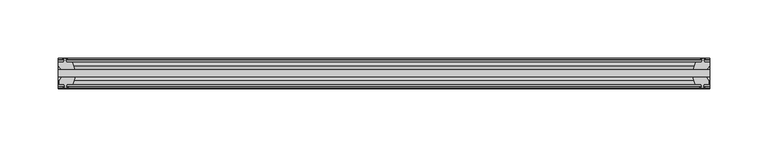
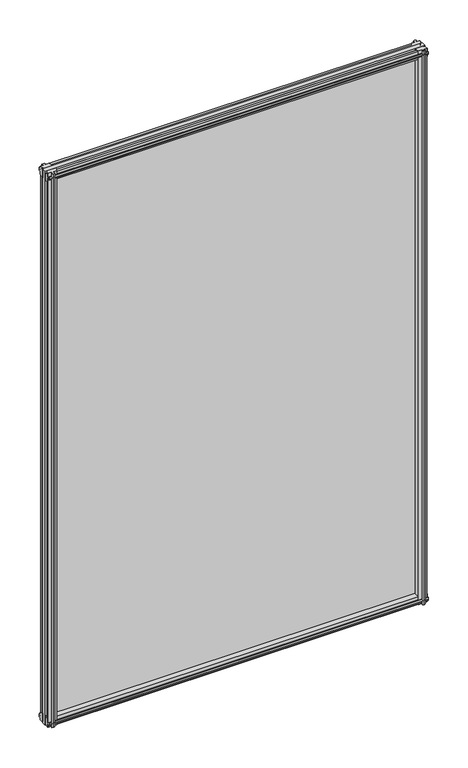
"""IFC4 building model written with IfcOpenShell, lengths in millimetres: plate geometry."""

from ifc_helpers import new_model, si_unit, frame, origin, place, context, project, spatial, polyline, outline, extrude, source, transform, mapped, element, save


def plate_f019fd8b(model_context):
    return source(origin(), model_context, "Body", "SweptSolid", [
        extrude(outline(polyline([(-258.2664062, -19.5460937), (301.625, -19.5460937), (301.625, -25.8960937), (-258.2664062, -25.8960937), (-258.2664062, -19.5460937)])), frame((0.0, 0.0, -12.7), z_axis=(0.0, 0.0, 1.0), x_axis=(1.0, 0.0, 0.0)), (0.0, 0.0, 1.0), 863.6),
        extrude(outline(polyline([(298.6503038, -25.8960937), (300.863, -29.2996938), (300.863, -32.2460938), (296.418, -32.2460938), (296.037, -34.6262907), (297.4525291, -34.1663575), (297.4525291, -34.9675717), (295.275, -35.6750938), (293.0974709, -34.9675717), (293.0974709, -34.1663575), (294.513, -34.6262907), (294.132, -32.2460938), (288.925, -32.2460938), (286.8197229, -25.8960937), (298.6503038, -25.8960937)])), frame((0.0, 0.0, -12.7), z_axis=(0.0, 0.0, 1.0), x_axis=(1.0, 0.0, 0.0)), (0.0, 0.0, 1.0), 863.6),
        extrude(outline(polyline([(293.6181709, -10.4746158), (295.7957, -9.7670938), (297.973229, -10.4746158), (297.973229, -11.27583), (296.5577, -10.8158968), (296.9387, -13.1960938), (301.3837, -13.1960938), (301.3837, -16.1424938), (299.1710038, -19.5460937), (287.3404229, -19.5460937), (289.4457, -13.1960938), (294.6527, -13.1960938), (295.0337, -10.8158968), (293.6181709, -11.27583), (293.6181709, -10.4746158)])), frame((0.0, 0.0, -12.7), z_axis=(0.0, 0.0, 1.0), x_axis=(1.0, 0.0, 0.0)), (0.0, 0.0, 1.0), 863.6),
        extrude(outline(polyline([(-243.4611292, -25.8960937), (-245.5664062, -32.2460937), (-250.7734062, -32.2460937), (-251.1544062, -34.6262907), (-249.7388772, -34.1663575), (-249.7388772, -34.9675717), (-251.9164062, -35.6750937), (-254.0939353, -34.9675717), (-254.0939353, -34.1663575), (-252.6784062, -34.6262907), (-253.0594062, -32.2460937), (-257.5044062, -32.2460937), (-257.5044062, -29.2996937), (-255.29171, -25.8960937), (-243.4611292, -25.8960937)])), frame((0.0, 0.0, -12.7), z_axis=(0.0, 0.0, 1.0), x_axis=(1.0, 0.0, 0.0)), (0.0, 0.0, 1.0), 863.6),
        extrude(outline(polyline([(-253.1991062, -10.8158968), (-254.6146353, -11.27583), (-254.6146353, -10.4746158), (-252.4371062, -9.7670937), (-250.2595772, -10.4746158), (-250.2595772, -11.27583), (-251.6751062, -10.8158968), (-251.2941062, -13.1960937), (-246.0871062, -13.1960937), (-243.9818292, -19.5460937), (-255.81241, -19.5460937), (-258.0251062, -16.1424937), (-258.0251062, -13.1960937), (-253.5801062, -13.1960937), (-253.1991062, -10.8158968)])), frame((0.0, 0.0, -12.7), z_axis=(0.0, 0.0, 1.0), x_axis=(1.0, 0.0, 0.0)), (0.0, 0.0, 1.0), 863.6),
        extrude(outline(polyline([(-13.1960937, 850.6587), (-13.1960937, 846.2137), (-10.8158968, 845.8327), (-11.27583, 847.248229), (-10.4746158, 847.248229), (-9.7670937, 845.0707), (-10.4746158, 842.8931709), (-11.27583, 842.8931709), (-10.8158968, 844.3087), (-13.1960937, 843.9277), (-13.1960937, 838.7207), (-19.5460937, 836.6154229), (-19.5460937, 848.4460038), (-16.1424937, 850.6587), (-13.1960937, 850.6587)])), frame((-258.2664062, 0.0, 0.0), z_axis=(1.0, 0.0, 0.0), x_axis=(0.0, 1.0, 0.0)), (0.0, 0.0, 1.0), 559.8914062),
        extrude(outline(polyline([(-29.2996937, 850.138), (-25.8960937, 847.9253038), (-25.8960937, 836.0947229), (-32.2460937, 838.2), (-32.2460937, 843.407), (-34.6262907, 843.788), (-34.1663575, 842.3724709), (-34.9675717, 842.3724709), (-35.6750937, 844.55), (-34.9675717, 846.7275291), (-34.1663575, 846.7275291), (-34.6262907, 845.312), (-32.2460937, 845.693), (-32.2460937, 850.138), (-29.2996937, 850.138)])), frame((-258.2664062, 0.0, 0.0), z_axis=(1.0, 0.0, 0.0), x_axis=(0.0, 1.0, 0.0)), (0.0, 0.0, 1.0), 559.8914062),
        extrude(outline(polyline([(-25.8960937, 2.1052771), (-25.8960937, -9.7253038), (-29.2996937, -11.938), (-32.2460937, -11.938), (-32.2460937, -7.493), (-34.6262907, -7.112), (-34.1663575, -8.5275291), (-34.9675717, -8.5275291), (-35.6750937, -6.35), (-34.9675717, -4.1724709), (-34.1663575, -4.1724709), (-34.6262907, -5.588), (-32.2460937, -5.207), (-32.2460937, 0.0), (-25.8960937, 2.1052771)])), frame((-258.2664062, 0.0, 0.0), z_axis=(1.0, 0.0, 0.0), x_axis=(0.0, 1.0, 0.0)), (0.0, 0.0, 1.0), 559.8914062),
        extrude(outline(polyline([(-19.5460937, 1.5845771), (-13.1960937, -0.5207), (-13.1960937, -5.7277), (-10.8158968, -6.1087), (-11.27583, -4.6931709), (-10.4746158, -4.6931709), (-9.7670937, -6.8707), (-10.4746158, -9.048229), (-11.27583, -9.048229), (-10.8158968, -7.6327), (-13.1960937, -8.0137), (-13.1960937, -12.4587), (-16.1424937, -12.4587), (-19.5460937, -10.2460038), (-19.5460937, 1.5845771)])), frame((-258.2664062, 0.0, 0.0), z_axis=(1.0, 0.0, 0.0), x_axis=(0.0, 1.0, 0.0)), (0.0, 0.0, 1.0), 559.8914062),
    ])


if __name__ == "__main__":
    model = new_model("IFC4")
    model_context = context("Model", 3, world=origin())
    ifc_project = project(units=[si_unit("LENGTHUNIT", "METRE", prefix="MILLI")], contexts=[model_context])
    site = spatial("IfcSite", under=ifc_project)
    building = spatial("IfcBuilding", under=site)
    placement = place(None, origin())
    plate_shape = plate_f019fd8b(model_context)
    element("IfcPlate", 1, at=placement, inside=building, context=model_context, shape_type="MappedRepresentation", body=[
        mapped(plate_shape, transform((0.0, 0.0, 0.0), x_axis=(1.0, 0.0, 0.0), y_axis=(0.0, 1.0, 0.0), z_axis=(0.0, 0.0, 1.0))),
    ])
    save(model, "model.ifc")
